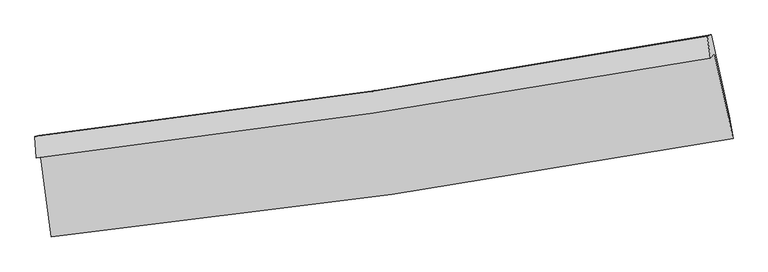
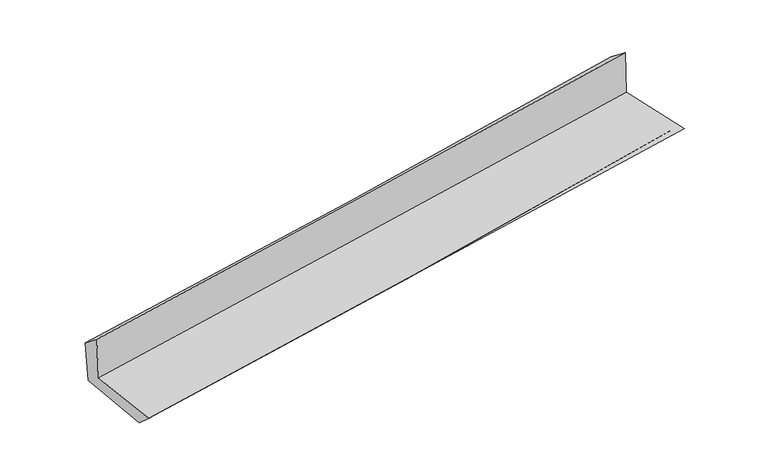
"""IFC4 building model written with IfcOpenShell, lengths in millimetres: proxy geometry."""

from ifc_helpers import new_model, si_unit, frame, origin, place, context, project, spatial, source, transform, mapped, element, save
from ifc_brep_helpers import plane_surface, spline_curve, spline_surface, advanced_brep


def generic_models_673903d1(model_context):
    return source(origin(), model_context, "Body", "AdvancedBrep", [
        advanced_brep(
        [(-2663.9863063, -1880.0285041, 1666.2246615), (-2578.6186235, -2529.4689981, 1637.9917513), (2757.1050777, -1759.2014734, 2104.1030094), (2610.0979221, -1094.0183597, 2102.6359119), (-2694.3362269, -1908.3776026, 2067.0963268), (2580.1843425, -1126.9024867, 2516.9192297), (-2704.5318785, -1741.7279907, 1936.1606211), (2553.9077817, -954.1678818, 2383.9875995), (-2673.4577725, -1735.6302878, 1560.2902887), (2584.428601, -945.5387698, 2022.7099727), (-2586.1584257, -2388.4118998, 1514.300725), (2728.5132045, -1580.5472601, 1982.3773893)],
        [
            (0, 1),
            (1, 2, spline_curve(3, [(-2578.6186235, -2529.4689981, 1637.9917513), (-1690.07346893, -2435.246142745, 1747.500427651), (-801.956505731, -2324.091766109, 1841.056238046), (976.621154244, -2067.458220846, 1996.541884636), (1867.078758037, -1921.856755942, 2058.35649391), (2757.1050777, -1759.2014734, 2104.1030094)], [4, 2, 4], [0.0, 8.81345480940493, 17.658682108416585])),
            (2, 3),
            (3, 0, spline_curve(3, [(2610.0979221, -1094.0183597, 2102.6359119), (1731.997285401, -1253.638723281, 2053.814076873), (852.646917827, -1399.042069059, 1992.948489434), (-905.390120151, -1660.943497626, 1847.391704683), (-1784.067828867, -1777.543533115, 1762.786875103), (-2663.9863063, -1880.0285041, 1666.2246615)], [4, 2, 4], [0.0, 8.845227299011654, 17.658682108416585])),
            (4, 0),
            (3, 5),
            (5, 4, spline_curve(3, [(2580.1843425, -1126.9024867, 2516.9192297), (1702.35152833, -1283.945860247, 2457.438629371), (823.098338289, -1427.683749398, 2390.13158499), (-935.085370515, -1688.080038219, 2240.134492577), (-1814.005703837, -1804.833854815, 2157.500568992), (-2694.3362269, -1908.3776026, 2067.0963268)], [4, 2, 4], [0.0, 8.794873653138074, 17.55815568943121])),
            (6, 4),
            (5, 7),
            (7, 6, spline_curve(3, [(2553.9077817, -954.1678818, 2383.9875995), (1679.815552358, -1113.735751002, 2321.509620658), (803.774192228, -1259.242525721, 2252.873510119), (-949.053005588, -1521.661726959, 2103.553689463), (-1825.824865262, -1638.674988732, 2022.914140539), (-2704.5318785, -1741.7279907, 1936.1606211)], [4, 2, 4], [0.0, 8.782847726443343, 17.53414703375934])),
            (8, 6),
            (7, 9),
            (9, 8, spline_curve(3, [(2584.428601, -945.5387698, 2022.7099727), (1711.252556667, -1104.364714042, 1946.278591684), (835.714737874, -1249.71290428, 1869.457893989), (-916.930989945, -1512.980091855, 1715.315207363), (-1794.021962356, -1630.995741053, 1637.996010371), (-2673.4577725, -1735.6302878, 1560.2902887)], [4, 2, 4], [0.0, 8.771080486697855, 17.51065482276977])),
            (10, 8),
            (9, 11),
            (11, 10, spline_curve(3, [(2728.5132045, -1580.5472601, 1982.3773893), (1844.094355165, -1740.077370153, 1905.089480887), (958.196099636, -1887.26343786, 1827.368177007), (-813.371719421, -2156.463129582, 1671.339514299), (-1699.030674128, -2278.565275127, 1593.035263369), (-2586.1584257, -2388.4118998, 1514.300725)], [4, 2, 4], [0.0, 8.820268255127532, 17.60885367475621])),
            (1, 10),
            (11, 2),
        ],
        [
            spline_surface(3, 3, [[(-2663.9863063, -1880.0285041, 1666.2246615), (-1784.067828826, -1777.54353324, 1762.786875091), (-905.390120267, -1660.943497568, 1847.391704607), (852.646917943, -1399.042069117, 1992.948489511), (1731.997285492, -1253.638723308, 2053.81407678), (2610.0979221, -1094.0183597, 2102.6359119)], [(-2635.530412033, -2096.508668788, 1656.813691447), (-1752.73637549, -1996.777736428, 1757.691392624), (-870.912248744, -1881.992920411, 1845.279882377), (893.971663358, -1621.847452997, 1994.146287913), (1777.024443024, -1476.378067491, 2055.328215797), (2659.100307282, -1315.746064257, 2103.124944404)], [(-2607.074517767, -2312.988833412, 1647.402721353), (-1721.404922156, -2216.011939552, 1752.595910116), (-836.434377209, -2103.042343304, 1843.168060171), (935.296408784, -1844.652836929, 1995.344086338), (1822.051600611, -1699.117411702, 2056.842354801), (2708.102692518, -1537.473768843, 2103.613976896)], [(-2578.6186235, -2529.4689981, 1637.9917513), (-1690.07346882, -2435.246142741, 1747.50042765), (-801.956505686, -2324.091766147, 1841.056237941), (976.621154199, -2067.458220809, 1996.54188474), (1867.078758143, -1921.856755885, 2058.356493819), (2757.1050777, -1759.2014734, 2104.1030094)]], [4, 4], [4, 2, 4], [0.0, 2.216006038743047], [0.0, 8.81345480940493, 17.658682108416585]),
            spline_surface(3, 3, [[(-2694.3362269, -1908.3776026, 2067.0963268), (-1814.005703778, -1804.833854692, 2157.500569023), (-935.085370568, -1688.080038341, 2240.13449248), (823.098338342, -1427.683749276, 2390.131585088), (1702.351528296, -1283.94586031, 2457.438629225), (2580.1843425, -1126.9024867, 2516.9192297)], [(-2684.21958672, -1898.927903108, 1933.472438371), (-1804.026412148, -1795.737080883, 2025.929337717), (-925.186953778, -1679.034524767, 2109.220229864), (832.947864898, -1418.136522574, 2257.737219904), (1712.233447369, -1273.843481316, 2322.897111736), (2590.155535708, -1115.941111039, 2378.824790426)], [(-2674.10294648, -1889.478203592, 1799.848549929), (-1794.047120457, -1786.640307049, 1894.358106397), (-915.288537056, -1669.989011142, 1978.305967222), (842.797391387, -1408.589295819, 2125.342854694), (1722.115366418, -1263.741102303, 2188.355594268), (2600.126728892, -1104.979735361, 2240.730351174)], [(-2663.9863063, -1880.0285041, 1666.2246615), (-1784.067828826, -1777.54353324, 1762.786875091), (-905.390120267, -1660.943497568, 1847.391704607), (852.646917943, -1399.042069117, 1992.948489511), (1731.997285492, -1253.638723308, 2053.81407678), (2610.0979221, -1094.0183597, 2102.6359119)]], [4, 4], [4, 2, 4], [0.0, 1.3026936817588877], [0.0, 8.763282036293136, 17.55815568943121]),
            spline_surface(3, 3, [[(-2704.5318785, -1741.7279907, 1936.1606211), (-1825.824865323, -1638.674988621, 2022.91414066), (-949.053005508, -1521.661727068, 2103.553689477), (803.774192147, -1259.242525611, 2252.873510105), (1679.815552419, -1113.73575088, 2321.509620763), (2553.9077817, -954.1678818, 2383.9875995)], [(-2701.133327951, -1797.27786132, 1979.805856318), (-1821.885144793, -1694.061277298, 2067.776283433), (-944.397127193, -1577.134497495, 2149.080623809), (810.215574213, -1315.389600169, 2298.626201764), (1687.327544389, -1170.472454027, 2366.819290259), (2562.666635311, -1011.746083437, 2428.298142908)], [(-2697.734777449, -1852.82773198, 2023.451091582), (-1817.945424309, -1749.447566015, 2112.63842625), (-939.741248882, -1632.607267913, 2194.607558148), (816.656956276, -1371.536674718, 2344.378893429), (1694.839536326, -1227.209157163, 2412.128959729), (2571.425488889, -1069.324285063, 2472.608686292)], [(-2694.3362269, -1908.3776026, 2067.0963268), (-1814.005703778, -1804.833854692, 2157.500569023), (-935.085370568, -1688.080038341, 2240.13449248), (823.098338342, -1427.683749276, 2390.131585088), (1702.351528296, -1283.94586031, 2457.438629225), (2580.1843425, -1126.9024867, 2516.9192297)]], [4, 4], [4, 2, 4], [0.0, 0.7117125397658587], [0.0, 8.751299307315996, 17.53414703375934]),
            spline_surface(3, 3, [[(-2673.4577725, -1735.6302878, 1560.2902887), (-1794.021962383, -1630.995740998, 1637.996010417), (-916.930989998, -1512.980091926, 1715.315207411), (835.714737927, -1249.712904209, 1869.457893942), (1711.252556682, -1104.36471392, 1946.278591618), (2584.428601, -945.5387698, 2022.7099727)], [(-2683.815807831, -1737.662855431, 1685.580399494), (-1804.622930028, -1633.555490203, 1766.302053826), (-927.638328531, -1515.873970295, 1844.728034766), (825.067889304, -1252.889444665, 1997.263099329), (1700.773555239, -1107.488392882, 2071.355601325), (2574.254994545, -948.415140442, 2143.135848292)], [(-2694.173843169, -1739.695423069, 1810.870510306), (-1815.223897679, -1636.115239416, 1894.608097251), (-938.345666975, -1518.767848699, 1974.140862122), (814.42104077, -1256.065985156, 2125.068304718), (1690.294553862, -1110.612071918, 2196.432611056), (2564.081388155, -951.291511158, 2263.561723908)], [(-2704.5318785, -1741.7279907, 1936.1606211), (-1825.824865323, -1638.674988621, 2022.91414066), (-949.053005508, -1521.661727068, 2103.553689477), (803.774192147, -1259.242525611, 2252.873510105), (1679.815552419, -1113.73575088, 2321.509620763), (2553.9077817, -954.1678818, 2383.9875995)]], [4, 4], [4, 2, 4], [0.0, 1.2705142813282035], [0.0, 8.739574336071914, 17.51065482276977]),
            spline_surface(3, 3, [[(-2586.1584257, -2388.4118998, 1514.300725), (-1699.030674068, -2278.565275053, 1593.035263291), (-813.371719488, -2156.463129571, 1671.339514285), (958.196099703, -1887.26343787, 1827.368177021), (1844.094355162, -1740.077370126, 1905.08948078), (2728.5132045, -1580.5472601, 1982.3773893)], [(-2615.258207959, -2170.818029134, 1529.630579573), (-1730.694436832, -2062.708763702, 1608.022179007), (-847.891476302, -1941.968783702, 1685.998078667), (917.368979133, -1674.746593329, 1841.398082668), (1799.813755676, -1528.173151409, 1918.819184391), (2680.485003341, -1368.877763352, 1995.821583765)], [(-2644.357990241, -1953.224158466, 1544.960434127), (-1762.358199619, -1846.852252349, 1623.009094702), (-882.411233183, -1727.474437795, 1700.656643029), (876.541858497, -1462.22974875, 1855.427988295), (1755.533156167, -1316.268932637, 1932.548888007), (2632.456802159, -1157.208266548, 2009.265778235)], [(-2673.4577725, -1735.6302878, 1560.2902887), (-1794.021962383, -1630.995740998, 1637.996010417), (-916.930989998, -1512.980091926, 1715.315207411), (835.714737927, -1249.712904209, 1869.457893942), (1711.252556682, -1104.36471392, 1946.278591618), (2584.428601, -945.5387698, 2022.7099727)]], [4, 4], [4, 2, 4], [0.0, 2.1385462357362623], [0.0, 8.78858541962868, 17.60885367475621]),
            spline_surface(3, 3, [[(-2578.6186235, -2529.4689981, 1637.9917513), (-1690.07346882, -2435.246142741, 1747.50042765), (-801.956505686, -2324.091766147, 1841.056237941), (976.621154199, -2067.458220809, 1996.54188474), (1867.078758143, -1921.856755885, 2058.356493819), (2757.1050777, -1759.2014734, 2104.1030094)], [(-2581.131890906, -2482.449965318, 1596.761409196), (-1693.059203909, -2383.01918683, 1696.012039526), (-805.761576966, -2268.21555395, 1784.483996717), (970.479469354, -2007.393293158, 1940.150648829), (1859.417290497, -1861.263627304, 2007.267489477), (2747.574453314, -1699.650068972, 2063.527802704)], [(-2583.645158294, -2435.430932582, 1555.531067104), (-1696.044938979, -2330.792230964, 1644.523651415), (-809.566648208, -2212.339341768, 1727.911755509), (964.337784547, -1947.328365521, 1883.759412933), (1851.755822809, -1800.670498707, 1956.178485122), (2738.043828886, -1640.098664528, 2022.952595996)], [(-2586.1584257, -2388.4118998, 1514.300725), (-1699.030674068, -2278.565275053, 1593.035263291), (-813.371719488, -2156.463129571, 1671.339514285), (958.196099703, -1887.26343787, 1827.368177021), (1844.094355162, -1740.077370126, 1905.08948078), (2728.5132045, -1580.5472601, 1982.3773893)]], [4, 4], [4, 2, 4], [0.0, 0.7981779632371121], [0.0, 8.84999476663431, 17.731893749359045]),
            plane_surface(frame((2635.7061549, -1243.3960386, 2185.4555188), z_axis=(0.972669149541591, 0.21515491709224535, 0.08731029252652378), x_axis=(-0.08415654484149625, -0.02379347147018958, 0.9961684328845893))),
            plane_surface(frame((-2650.1815389, -2030.6075472, 1730.3440624), z_axis=(-0.9884505315468796, -0.12628834264370856, -0.08376634883410264), x_axis=(-0.13020604307597394, 0.9905513909993037, 0.04306191049921507))),
        ],
        [
            (0, [[1, 2, 3, 4]]),
            (1, [[5, -4, 6, 7]]),
            (2, [[8, -7, 9, 10]]),
            (3, [[11, -10, 12, 13]]),
            (4, [[14, -13, 15, 16]]),
            (5, [[17, -16, 18, -2]]),
            (6, [[-12, -9, -6, -3, -18, -15]]),
            (7, [[-1, -5, -8, -11, -14, -17]]),
        ],
    ),
    ])


if __name__ == "__main__":
    model = new_model("IFC4")
    model_context = context("Model", 3, world=origin())
    ifc_project = project(units=[si_unit("LENGTHUNIT", "METRE", prefix="MILLI")], contexts=[model_context])
    site = spatial("IfcSite", under=ifc_project)
    building = spatial("IfcBuilding", under=site)
    placement = place(None, origin())
    generic_models_shape = generic_models_673903d1(model_context)
    element("IfcBuildingElementProxy", 1, Name="Generic Models", at=placement, inside=building, context=model_context, shape_type="MappedRepresentation", body=[
        mapped(generic_models_shape, transform((0.0, 0.0, 0.0), x_axis=(1.0, 0.0, 0.0), y_axis=(0.0, 1.0, 0.0), z_axis=(0.0, 0.0, 1.0))),
    ])
    save(model, "model.ifc")
